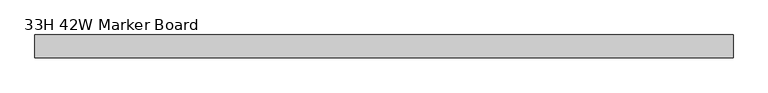
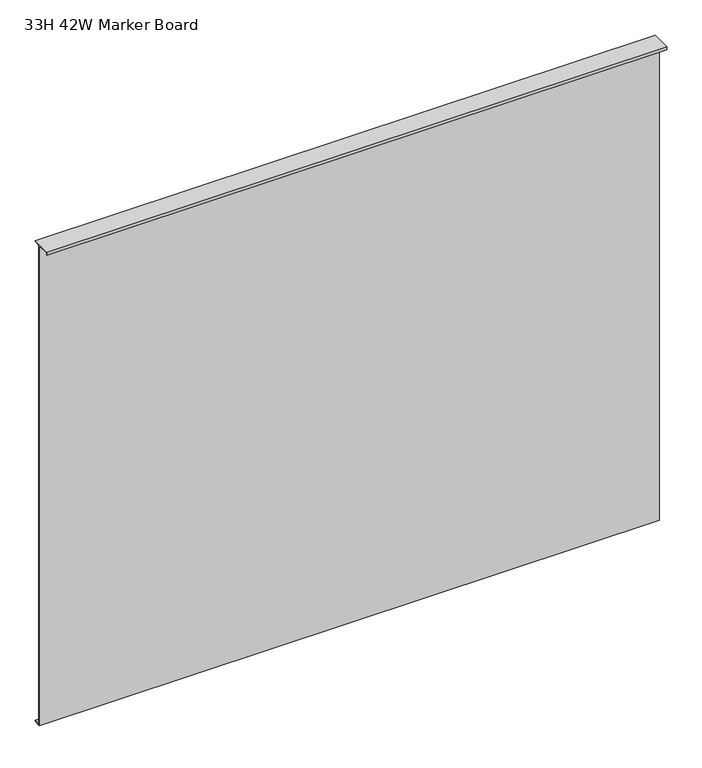
"""IFC4 building model written with IfcOpenShell, lengths in millimetres: furniture geometry, 33H 42W Marker Board."""

import ifcopenshell
import ifcopenshell.guid

model = None  # the IFC model being written
_history = None  # IfcOwnerHistory: only IFC2X3 demands one
_inside = {}  # id of a spatial element -> (the spatial element, [elements in it])
_under = {}  # id of a project, library or spatial element -> (it, [spatial elements below it])
_declared = {}  # id of a project -> (the project, [libraries it declares])
_typed = {}  # id of a type object -> (the type object, [elements of that type])
_made_of = {}  # id of a material, layer set ... -> (it, [elements and type objects made of it])


def new_model(schema):
    """Start an empty IFC model of exactly this schema.

    Asked for "IFC4X3", IfcOpenShell would pick the latest addendum, in which some entities
    have other attributes; the version numbers below select the first issue.
    IFC2X3 requires an IfcOwnerHistory on every rooted entity: one is made here for all.
    """
    global model, _history
    if schema == "IFC4X3":
        model = ifcopenshell.file(schema_version=(4, 3, 0, 0))
    else:
        model = ifcopenshell.file(schema=schema)
    _inside.clear()
    _under.clear()
    _declared.clear()
    _typed.clear()
    _made_of.clear()
    _history = None
    if model.schema == "IFC2X3":
        org = make("IfcOrganization", Name="unknown")
        user = make(
            "IfcPersonAndOrganization",
            ThePerson=make("IfcPerson", FamilyName="unknown"),
            TheOrganization=org,
        )
        app = make(
            "IfcApplication",
            ApplicationDeveloper=org,
            Version="unknown",
            ApplicationFullName="unknown",
            ApplicationIdentifier="unknown",
        )
        _history = make(
            "IfcOwnerHistory",
            OwningUser=user,
            OwningApplication=app,
            ChangeAction="ADDED",
            CreationDate=0,
        )
    return model


def make(cls, **values):
    """One entity of the class cls with the attributes given. An attribute that is None is left unset."""
    return model.create_entity(
        cls, **{name: value for name, value in values.items() if value is not None}
    )


def rooted(cls, **values):
    """An entity with a GlobalId (a new one), such as an element, a storey or a relation."""
    return make(cls, GlobalId=ifcopenshell.guid.new(), OwnerHistory=_history, **values)


def si_unit(unit_type, name, prefix=None):
    """IfcSIUnit, for example si_unit("LENGTHUNIT", "METRE", prefix="MILLI")."""
    return make("IfcSIUnit", UnitType=unit_type, Prefix=prefix, Name=name)


def assignment(units):
    """IfcUnitAssignment: the units of a project."""
    return None if units is None else make("IfcUnitAssignment", Units=units)


def point(xyz):
    """IfcCartesianPoint."""
    return None if xyz is None else make("IfcCartesianPoint", Coordinates=xyz)


def direction(xyz):
    """IfcDirection."""
    return None if xyz is None else make("IfcDirection", DirectionRatios=xyz)


def frame(location, z_axis=None, x_axis=None):
    """IfcAxis2Placement3D, a coordinate frame: its origin and axes. An axis left out is left unset."""
    return make(
        "IfcAxis2Placement3D",
        Location=point(location),
        Axis=direction(z_axis),
        RefDirection=direction(x_axis),
    )


def origin():
    """The frame at (0, 0, 0) with its axes left unset."""
    return frame((0.0, 0.0, 0.0))


def place(relative_to, where):
    """IfcLocalPlacement: puts the frame where relative to a parent placement (None: the world)."""
    return make(
        "IfcLocalPlacement", PlacementRelTo=relative_to, RelativePlacement=where
    )


def context(
    kind, dimensions, precision=None, world=None, true_north=None, identifier=None
):
    """IfcGeometricRepresentationContext, for example the 3D "Model" context."""
    return make(
        "IfcGeometricRepresentationContext",
        ContextIdentifier=identifier,
        ContextType=kind,
        CoordinateSpaceDimension=dimensions,
        Precision=precision,
        WorldCoordinateSystem=world,
        TrueNorth=true_north,
    )


def project(units=None, contexts=None):
    """IfcProject with its units and contexts."""
    return rooted(
        "IfcProject",
        Name="project",
        RepresentationContexts=contexts,
        UnitsInContext=assignment(units),
    )


def spatial(cls, under=None, at=None, **own):
    """A site, building, storey or space (cls), placed at a placement, below another one or the project."""
    s = rooted(cls, ObjectPlacement=at, **own)
    if under is not None:
        _under.setdefault(under.id(), (under, []))[1].append(s)
    return s


def polyline(points):
    """IfcPolyline through the points."""
    return make("IfcPolyline", Points=[point(p) for p in points])


def outline(outer, holes=None, kind="AREA"):
    """IfcArbitraryClosedProfileDef: a profile drawn as a closed curve; with holes, ...WithVoids."""
    if holes is None:
        return make("IfcArbitraryClosedProfileDef", ProfileType=kind, OuterCurve=outer)
    return make(
        "IfcArbitraryProfileDefWithVoids",
        ProfileType=kind,
        OuterCurve=outer,
        InnerCurves=holes,
    )


def extrude(swept, where, along, depth):
    """IfcExtrudedAreaSolid: the profile swept, set in the frame where, extruded along a direction by depth."""
    return make(
        "IfcExtrudedAreaSolid",
        SweptArea=swept,
        Position=where,
        ExtrudedDirection=direction(along),
        Depth=depth,
    )


def shape(context_of_items, identifier, shape_type, items):
    """IfcShapeRepresentation: the items that make up one representation, for example the "Body"."""
    return make(
        "IfcShapeRepresentation",
        ContextOfItems=context_of_items,
        RepresentationIdentifier=identifier,
        RepresentationType=shape_type,
        Items=items,
    )


def source(mapping_origin, context_of_items, identifier, shape_type, items):
    """IfcRepresentationMap: a shape defined once, which mapped items show again and again."""
    return make(
        "IfcRepresentationMap",
        MappingOrigin=mapping_origin,
        MappedRepresentation=shape(context_of_items, identifier, shape_type, items),
    )


def transform(
    local_origin,
    x_axis=None,
    y_axis=None,
    z_axis=None,
    scale=None,
    scale2=None,
    scale3=None,
    uniform=True,
):
    """IfcCartesianTransformationOperator3D, or its non-uniform kind. x_axis, y_axis, z_axis: its Axis1, 2, 3."""
    if uniform:
        return make(
            "IfcCartesianTransformationOperator3D",
            Axis1=direction(x_axis),
            Axis2=direction(y_axis),
            LocalOrigin=point(local_origin),
            Scale=scale,
            Axis3=direction(z_axis),
        )
    return make(
        "IfcCartesianTransformationOperator3DnonUniform",
        Axis1=direction(x_axis),
        Axis2=direction(y_axis),
        LocalOrigin=point(local_origin),
        Scale=scale,
        Axis3=direction(z_axis),
        Scale2=scale2,
        Scale3=scale3,
    )


def mapped(mapping_source, mapping_target):
    """IfcMappedItem: shows the shape of a source again, moved by a transform."""
    return make(
        "IfcMappedItem", MappingSource=mapping_source, MappingTarget=mapping_target
    )


def made_of(thing, what):
    """Note that an element or type object is made of a material, layer set ...; save() writes the relation."""
    if what is not None:
        _made_of.setdefault(what.id(), (what, []))[1].append(thing)
    return thing


def element(
    cls,
    number,
    at=None,
    inside=None,
    cuts=None,
    type_object=None,
    material=None,
    context=None,
    identifier="Body",
    shape_type=None,
    held_by="IfcProductDefinitionShape",
    body=None,
    shapes=None,
    **own,
):
    """One element of the class cls, such as IfcWall. Its Tag is "e" and its number.

    at: its placement. inside: the storey or other place that contains it. cuts: it is an
    opening in that element (IfcRelVoidsElement). A single representation is given by context,
    identifier, shape_type and body (its items); several are given by shapes. held_by: the class
    of the entity that holds the representations. save() writes the other relations.
    """
    e = rooted(cls, Tag="e%d" % number, ObjectPlacement=at, **own)
    if body is not None:
        shapes = [shape(context, identifier, shape_type, body)]
    if shapes is not None:
        e.Representation = make(held_by, Representations=shapes)
    if inside is not None:
        _inside.setdefault(inside.id(), (inside, []))[1].append(e)
    if cuts is not None:
        rooted(
            "IfcRelVoidsElement", RelatingBuildingElement=cuts, RelatedOpeningElement=e
        )
    if type_object is not None:
        _typed.setdefault(type_object.id(), (type_object, []))[1].append(e)
    return made_of(e, material)


def aggregate(whole, parts):
    """IfcRelAggregates: a whole, such as a stair, and the parts it consists of."""
    return rooted("IfcRelAggregates", RelatingObject=whole, RelatedObjects=parts)


def save(model, path):
    """Write the relations noted so far, then the file.

    IfcRelAggregates (storeys below a building ...), IfcRelContainedInSpatialStructure (elements
    in a storey), IfcRelDefinesByType, IfcRelAssociatesMaterial and IfcRelDeclares: one each for
    every whole, place, type object, material and project.
    """
    for whole, parts in _under.values():
        aggregate(whole, parts)
    for where, things in _inside.values():
        rooted(
            "IfcRelContainedInSpatialStructure",
            RelatedElements=things,
            RelatingStructure=where,
        )
    for kind, things in _typed.values():
        rooted("IfcRelDefinesByType", RelatedObjects=things, RelatingType=kind)
    for what, things in _made_of.values():
        rooted("IfcRelAssociatesMaterial", RelatedObjects=things, RelatingMaterial=what)
    for by, libraries in _declared.values():
        rooted("IfcRelDeclares", RelatingContext=by, RelatedDefinitions=libraries)
    model.write(path)


def furniture_33h_42w_marker_board_d535d1c2(model_context):
    return source(origin(), model_context, "Body", "SweptSolid", [
        extrude(outline(polyline([(1020.318, 4.3815), (1020.318, 3.1115), (1.524, 3.1115), (1.524, 4.3815), (1020.318, 4.3815)])), frame((0.0, 0.0, 691.44642), z_axis=(0.0, 0.0, 1.0), x_axis=(1.0, 0.0, 0.0)), (0.0, 0.0, 1.0), 830.8848),
        extrude(outline(polyline([(-21.30298, 1526.921), (12.22502, 1526.921), (12.22502, 1525.397), (1.524, 1525.397), (1.524, 691.44642), (12.22502, 691.44642), (12.22502, 689.92242), (0.0, 689.92242), (0.0, 1525.397), (-20.574, 1525.397), (-20.574, 1521.333), (-21.30298, 1521.333), (-21.30298, 1526.921)])), frame((0.0, 0.0, 0.0), z_axis=(1.0, 0.0, 0.0), x_axis=(0.0, 1.0, 0.0)), (0.0, 0.0, 1.0), 1021.842),
    ])


if __name__ == "__main__":
    model = new_model("IFC4")
    model_context = context("Model", 3, world=origin())
    ifc_project = project(units=[si_unit("LENGTHUNIT", "METRE", prefix="MILLI")], contexts=[model_context])
    site = spatial("IfcSite", under=ifc_project)
    building = spatial("IfcBuilding", under=site)
    placement = place(None, origin())
    furniture_33h_42w_marker_board_shape = furniture_33h_42w_marker_board_d535d1c2(model_context)
    element("IfcFurniture", 1, ObjectType="33H 42W Marker Board", at=placement, inside=building, context=model_context, shape_type="MappedRepresentation", body=[
        mapped(furniture_33h_42w_marker_board_shape, transform((0.0, 0.0, 0.0), x_axis=(1.0, 0.0, 0.0), y_axis=(0.0, 1.0, 0.0), z_axis=(0.0, 0.0, 1.0))),
    ])
    save(model, "model.ifc")
